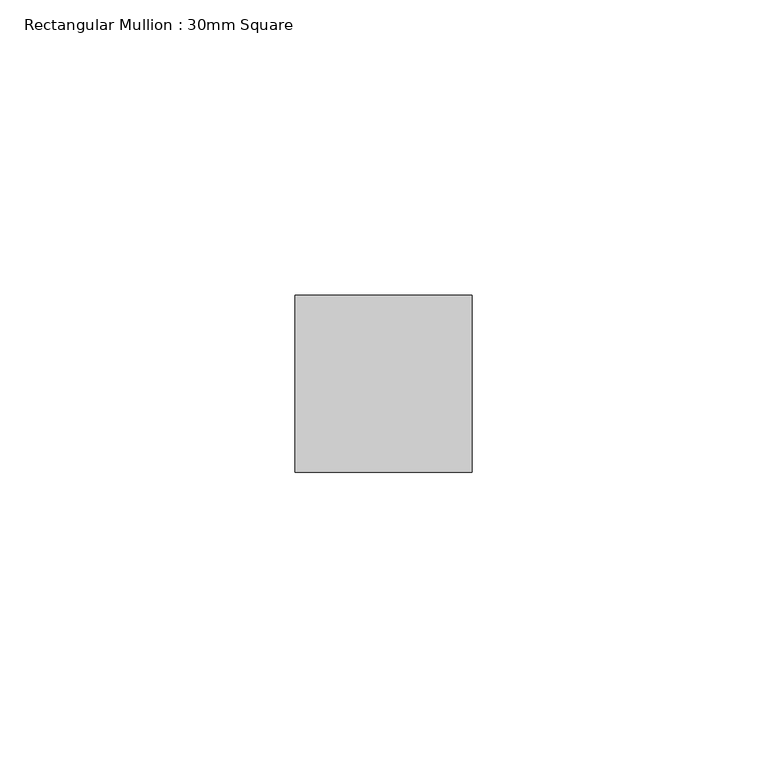
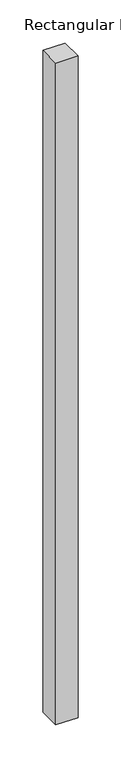
"""IFC4 building model written with IfcOpenShell, lengths in millimetres: member geometry, Rectangular Mullion : 30mm Square."""

from ifc_helpers import new_model, si_unit, frame, origin, place, context, project, spatial, polyline, outline, extrude, source, transform, mapped, element, save


def rectangular_mullion_30mm_square_46815e66(model_context):
    return source(origin(), model_context, "Body", "SweptSolid", [
        extrude(outline(polyline([(0.0, 15.0), (0.0, -15.0), (-30.0, -15.0), (-30.0, 15.0), (0.0, 15.0)])), frame((0.0, 0.0, -937.9609166), z_axis=(0.0, 0.0, 1.0), x_axis=(1.0, 0.0, 0.0)), (0.0, 0.0, 1.0), 937.9609166),
    ])


if __name__ == "__main__":
    model = new_model("IFC4")
    model_context = context("Model", 3, world=origin())
    ifc_project = project(units=[si_unit("LENGTHUNIT", "METRE", prefix="MILLI")], contexts=[model_context])
    site = spatial("IfcSite", under=ifc_project)
    building = spatial("IfcBuilding", under=site)
    placement = place(None, origin())
    rectangular_mullion_30mm_square_shape = rectangular_mullion_30mm_square_46815e66(model_context)
    element("IfcMember", 1, ObjectType="Rectangular Mullion : 30mm Square", at=placement, inside=building, context=model_context, shape_type="MappedRepresentation", body=[
        mapped(rectangular_mullion_30mm_square_shape, transform((0.0, 0.0, 0.0), x_axis=(1.0, 0.0, 0.0), y_axis=(0.0, 1.0, 0.0), z_axis=(0.0, 0.0, 1.0))),
    ])
    save(model, "model.ifc")
